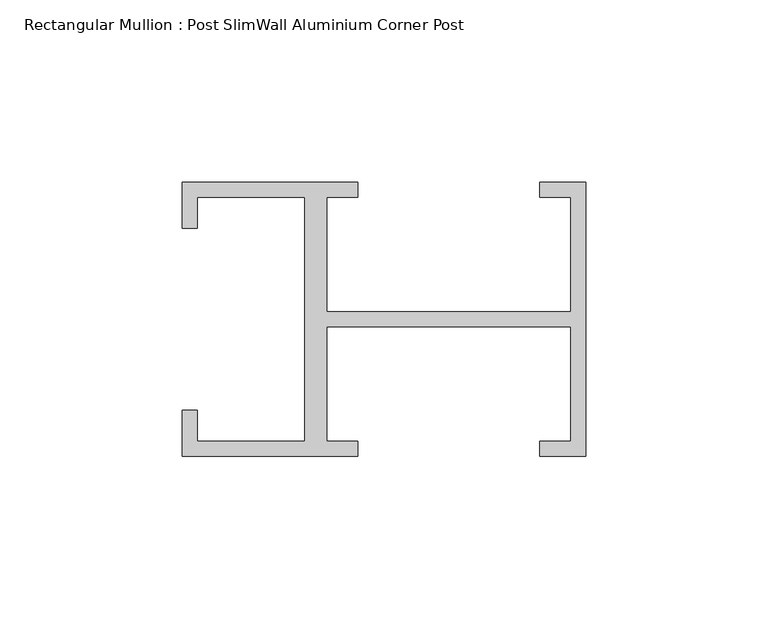
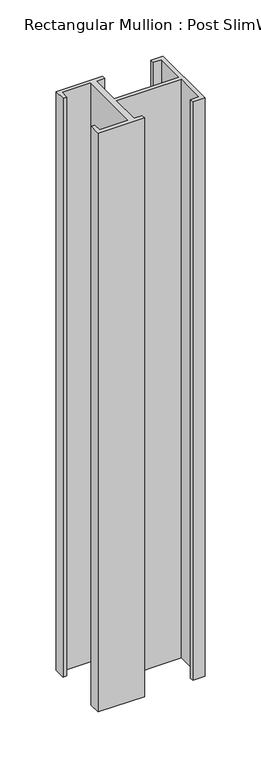
"""IFC4 building model written with IfcOpenShell, lengths in millimetres: member geometry, Rectangular Mullion : Post SlimWall Aluminium Corner Post."""

from ifc_helpers import new_model, si_unit, frame, origin, place, context, project, spatial, polyline, outline, extrude, source, transform, mapped, element, save


def rectangular_mullion_post_slimwall_aluminium_corner_post_bb75b39b(model_context):
    return source(origin(), model_context, "Body", "SweptSolid", [
        extrude(outline(polyline([(-71.0, 33.5), (-71.0, 2.0), (-4.0, 2.0), (-4.0, 33.5), (-12.5, 33.5), (-12.5, 37.5), (0.0, 37.5), (0.0, -37.5), (-12.5, -37.5), (-12.5, -33.5), (-4.0, -33.5), (-4.0, -2.0), (-71.0, -2.0), (-71.0, -33.5), (-62.5, -33.5), (-62.5, -37.5), (-110.5, -37.5), (-110.5, -25.0), (-106.5, -25.0), (-106.5, -33.5), (-77.0, -33.5), (-77.0, 33.5), (-106.5, 33.5), (-106.5, 25.0), (-110.5, 25.0), (-110.5, 37.5), (-62.5, 37.5), (-62.5, 33.5), (-71.0, 33.5)])), frame((0.0, 0.0, -630.45), z_axis=(0.0, 0.0, 1.0), x_axis=(1.0, 0.0, 0.0)), (0.0, 0.0, 1.0), 630.45),
    ])


if __name__ == "__main__":
    model = new_model("IFC4")
    model_context = context("Model", 3, world=origin())
    ifc_project = project(units=[si_unit("LENGTHUNIT", "METRE", prefix="MILLI")], contexts=[model_context])
    site = spatial("IfcSite", under=ifc_project)
    building = spatial("IfcBuilding", under=site)
    placement = place(None, origin())
    rectangular_mullion_post_slimwall_aluminium_corner_post_shape = rectangular_mullion_post_slimwall_aluminium_corner_post_bb75b39b(model_context)
    element("IfcMember", 1, ObjectType="Rectangular Mullion : Post SlimWall Aluminium Corner Post", at=placement, inside=building, context=model_context, shape_type="MappedRepresentation", body=[
        mapped(rectangular_mullion_post_slimwall_aluminium_corner_post_shape, transform((0.0, 0.0, 0.0), x_axis=(1.0, 0.0, 0.0), y_axis=(0.0, 1.0, 0.0), z_axis=(0.0, 0.0, 1.0))),
    ])
    save(model, "model.ifc")
